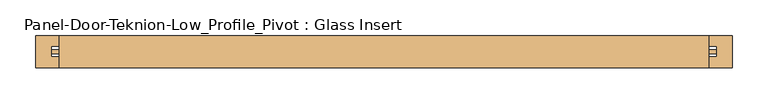
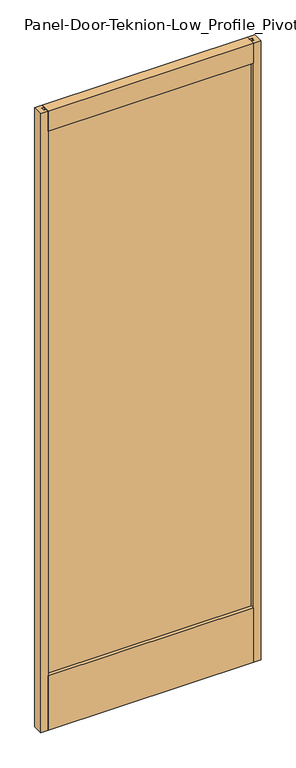
"""IFC4 building model written with IfcOpenShell, lengths in millimetres: door geometry, Panel-Door-Teknion-Low_Profile_Pivot : Glass Insert."""

from ifc_helpers import new_model, si_unit, frame, origin, place, context, project, spatial, polyline, outline, extrude, source, transform, mapped, element, save


def panel_door_teknion_low_profile_pivot_glass_insert_89984077(model_context):
    return source(origin(), model_context, "Body", "SweptSolid", [
        extrude(outline(polyline([(465.4252344, 2.8575), (465.4252344, -2.8575), (-465.4252344, -2.8575), (-465.4252344, 2.8575), (465.4252344, 2.8575)])), frame((0.0, 0.0, 95.25), z_axis=(0.0, 0.0, 1.0), x_axis=(1.0, 0.0, 0.0)), (0.0, 0.0, 1.0), 2727.1143997),
        extrude(outline(polyline([(-22.225, 12.7), (-22.225, 266.7), (-6.731, 266.7), (-6.731, 255.27), (6.731, 255.27), (6.731, 266.7), (22.225, 266.7), (22.225, 12.7), (-22.225, 12.7)])), frame((-453.9952344, 0.0, 0.0), z_axis=(1.0, 0.0, 0.0), x_axis=(0.0, 1.0, 0.0)), (0.0, 0.0, 1.0), 907.9904687),
        extrude(outline(polyline([(-22.225, 2904.9143997), (22.225, 2904.9143997), (22.225, 2810.9343997), (6.731, 2810.9343997), (6.731, 2822.3643997), (-6.731, 2822.3643997), (-6.731, 2810.9343997), (-22.225, 2810.9343997), (-22.225, 2904.9143997)])), frame((-453.9952344, 0.0, 0.0), z_axis=(1.0, 0.0, 0.0), x_axis=(0.0, 1.0, 0.0)), (0.0, 0.0, 1.0), 907.9904687),
        extrude(outline(polyline([(-487.0152344, 22.225), (-453.9952344, 22.225), (-453.9952344, 7.239), (-465.4252344, 7.239), (-465.4252344, -7.239), (-453.9952344, -7.239), (-453.9952344, -22.225), (-487.0152344, -22.225), (-487.0152344, 22.225)])), frame((0.0, 0.0, 12.7), z_axis=(0.0, 0.0, 1.0), x_axis=(1.0, 0.0, 0.0)), (0.0, 0.0, 1.0), 2892.2143997),
        extrude(outline(polyline([(487.0152344, 22.225), (487.0152344, -22.225), (453.9952344, -22.225), (453.9952344, -7.239), (465.4252344, -7.239), (465.4252344, 7.239), (453.9952344, 7.239), (453.9952344, 22.225), (487.0152344, 22.225)])), frame((0.0, 0.0, 12.7), z_axis=(0.0, 0.0, 1.0), x_axis=(1.0, 0.0, 0.0)), (0.0, 0.0, 1.0), 2892.2143997),
    ])


if __name__ == "__main__":
    model = new_model("IFC4")
    model_context = context("Model", 3, world=origin())
    ifc_project = project(units=[si_unit("LENGTHUNIT", "METRE", prefix="MILLI")], contexts=[model_context])
    site = spatial("IfcSite", under=ifc_project)
    building = spatial("IfcBuilding", under=site)
    placement = place(None, origin())
    panel_door_teknion_low_profile_pivot_glass_insert_shape = panel_door_teknion_low_profile_pivot_glass_insert_89984077(model_context)
    element("IfcDoor", 1, ObjectType="Panel-Door-Teknion-Low_Profile_Pivot : Glass Insert", at=placement, inside=building, context=model_context, shape_type="MappedRepresentation", body=[
        mapped(panel_door_teknion_low_profile_pivot_glass_insert_shape, transform((0.0, 0.0, 0.0), x_axis=(1.0, 0.0, 0.0), y_axis=(0.0, 1.0, 0.0), z_axis=(0.0, 0.0, 1.0))),
    ])
    save(model, "model.ifc")
